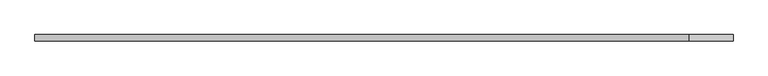
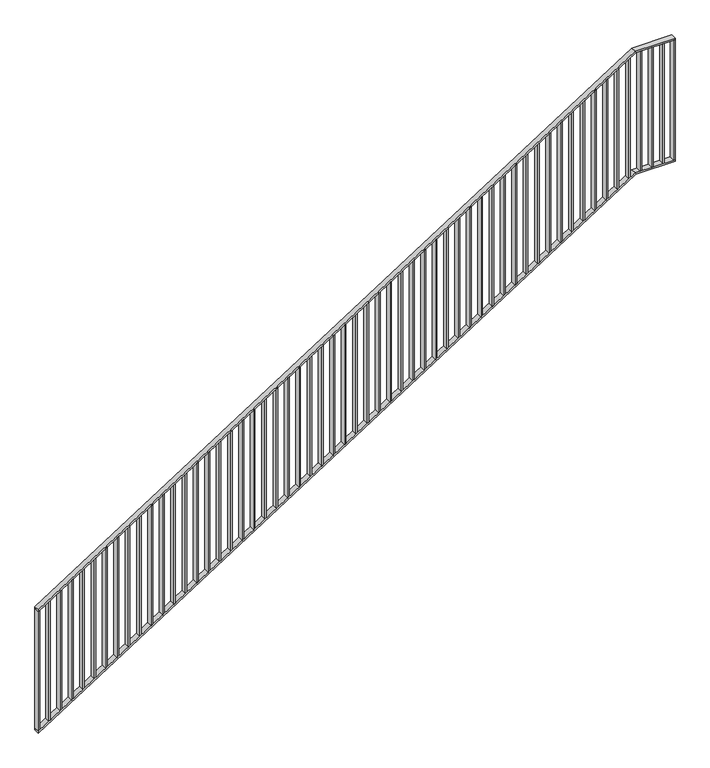
"""IFC4 building model written with IfcOpenShell, lengths in millimetres: railing geometry."""

from ifc_helpers import new_model, si_unit, frame, origin, place, context, project, spatial, polyline, outline, extrude, faceted_brep, source, transform, mapped, element, save


def railing_a182ddf0(model_context):
    return source(origin(), model_context, "Body", "SolidModel", [
        faceted_brep([(70020.0, -14.6, 1178.125), (70020.0, 25.4, 1178.125), (70020.0, 25.4, 1166.2576574), (70020.0, -14.6, 1166.2576574), (74201.25, -14.6, 3850.0), (74201.25, 25.4, 3850.0), (74204.1722273, 25.4, 3840.0), (74204.1722273, -14.6, 3840.0), (74480.0, -14.6, 3850.0), (74480.0, -14.6, 3840.0), (74480.0, 25.4, 3840.0), (74480.0, 25.4, 3850.0)], [[[0, 1, 2, 3]], [[1, 0, 4, 5]], [[2, 1, 5, 6]], [[3, 2, 6, 7]], [[0, 3, 7, 4]], [[8, 9, 10, 11]], [[5, 4, 8, 11]], [[6, 5, 11, 10]], [[7, 6, 10, 9]], [[4, 7, 9, 8]]]),
        faceted_brep([(70020.0, -14.6, 278.125), (70020.0, 25.4, 278.125), (70020.0, 25.4, 266.2576574), (70020.0, -14.6, 266.2576574), (74201.25, -14.6, 2950.0), (74201.25, 25.4, 2950.0), (74204.1722273, 25.4, 2940.0), (74204.1722273, -14.6, 2940.0), (74480.0, -14.6, 2950.0), (74480.0, -14.6, 2940.0), (74480.0, 25.4, 2940.0), (74480.0, 25.4, 2950.0)], [[[0, 1, 2, 3]], [[1, 0, 4, 5]], [[2, 1, 5, 6]], [[3, 2, 6, 7]], [[0, 3, 7, 4]], [[8, 9, 10, 11]], [[5, 4, 8, 11]], [[6, 5, 11, 10]], [[7, 6, 10, 9]], [[4, 7, 9, 8]]]),
        extrude(outline(polyline([(74395.3571429, -14.6), (74395.3571429, 25.4), (74405.3571429, 25.4), (74405.3571429, -14.6), (74395.3571429, -14.6)])), frame((0.0, 0.0, 2950.0), z_axis=(0.0, 0.0, 1.0), x_axis=(1.0, 0.0, 0.0)), (0.0, 0.0, 1.0), 890.0),
        extrude(outline(polyline([(74315.7142857, -14.6), (74315.7142857, 25.4), (74325.7142857, 25.4), (74325.7142857, -14.6), (74315.7142857, -14.6)])), frame((0.0, 0.0, 2950.0), z_axis=(0.0, 0.0, 1.0), x_axis=(1.0, 0.0, 0.0)), (0.0, 0.0, 1.0), 890.0),
        extrude(outline(polyline([(74236.0714286, -14.6), (74236.0714286, 25.4), (74246.0714286, 25.4), (74246.0714286, -14.6), (74236.0714286, -14.6)])), frame((0.0, 0.0, 2950.0), z_axis=(0.0, 0.0, 1.0), x_axis=(1.0, 0.0, 0.0)), (0.0, 0.0, 1.0), 890.0),
        extrude(outline(polyline([(3811.3585042, 74156.4285714), (2921.3585042, 74156.4285714), (2927.7486387, 74166.4285714), (3817.7486387, 74166.4285714), (3811.3585042, 74156.4285714)])), frame((0.0, -14.6, 0.0), z_axis=(0.0, 1.0, 0.0), x_axis=(0.0, 0.0, 1.0)), (0.0, 0.0, 1.0), 40.0),
        extrude(outline(polyline([(3760.465647, 74076.7857143), (2870.465647, 74076.7857143), (2876.8557816, 74086.7857143), (3766.8557816, 74086.7857143), (3760.465647, 74076.7857143)])), frame((0.0, -14.6, 0.0), z_axis=(0.0, 1.0, 0.0), x_axis=(0.0, 0.0, 1.0)), (0.0, 0.0, 1.0), 40.0),
        extrude(outline(polyline([(3709.5727899, 73997.1428571), (2819.5727899, 73997.1428571), (2825.9629244, 74007.1428571), (3715.9629244, 74007.1428571), (3709.5727899, 73997.1428571)])), frame((0.0, -14.6, 0.0), z_axis=(0.0, 1.0, 0.0), x_axis=(0.0, 0.0, 1.0)), (0.0, 0.0, 1.0), 40.0),
        extrude(outline(polyline([(3658.6799327, 73917.5), (2768.6799327, 73917.5), (2775.0700673, 73927.5), (3665.0700673, 73927.5), (3658.6799327, 73917.5)])), frame((0.0, -14.6, 0.0), z_axis=(0.0, 1.0, 0.0), x_axis=(0.0, 0.0, 1.0)), (0.0, 0.0, 1.0), 40.0),
        extrude(outline(polyline([(3607.7870756, 73837.8571429), (2717.7870756, 73837.8571429), (2724.1772101, 73847.8571429), (3614.1772101, 73847.8571429), (3607.7870756, 73837.8571429)])), frame((0.0, -14.6, 0.0), z_axis=(0.0, 1.0, 0.0), x_axis=(0.0, 0.0, 1.0)), (0.0, 0.0, 1.0), 40.0),
        extrude(outline(polyline([(3556.8942184, 73758.2142857), (2666.8942184, 73758.2142857), (2673.284353, 73768.2142857), (3563.284353, 73768.2142857), (3556.8942184, 73758.2142857)])), frame((0.0, -14.6, 0.0), z_axis=(0.0, 1.0, 0.0), x_axis=(0.0, 0.0, 1.0)), (0.0, 0.0, 1.0), 40.0),
        extrude(outline(polyline([(3506.0013613, 73678.5714286), (2616.0013613, 73678.5714286), (2622.3914958, 73688.5714286), (3512.3914958, 73688.5714286), (3506.0013613, 73678.5714286)])), frame((0.0, -14.6, 0.0), z_axis=(0.0, 1.0, 0.0), x_axis=(0.0, 0.0, 1.0)), (0.0, 0.0, 1.0), 40.0),
        extrude(outline(polyline([(3455.1085042, 73598.9285714), (2565.1085042, 73598.9285714), (2571.4986387, 73608.9285714), (3461.4986387, 73608.9285714), (3455.1085042, 73598.9285714)])), frame((0.0, -14.6, 0.0), z_axis=(0.0, 1.0, 0.0), x_axis=(0.0, 0.0, 1.0)), (0.0, 0.0, 1.0), 40.0),
        extrude(outline(polyline([(3404.215647, 73519.2857143), (2514.215647, 73519.2857143), (2520.6057816, 73529.2857143), (3410.6057816, 73529.2857143), (3404.215647, 73519.2857143)])), frame((0.0, -14.6, 0.0), z_axis=(0.0, 1.0, 0.0), x_axis=(0.0, 0.0, 1.0)), (0.0, 0.0, 1.0), 40.0),
        extrude(outline(polyline([(3353.3227899, 73439.6428571), (2463.3227899, 73439.6428571), (2469.7129244, 73449.6428571), (3359.7129244, 73449.6428571), (3353.3227899, 73439.6428571)])), frame((0.0, -14.6, 0.0), z_axis=(0.0, 1.0, 0.0), x_axis=(0.0, 0.0, 1.0)), (0.0, 0.0, 1.0), 40.0),
        extrude(outline(polyline([(3302.4299327, 73360.0), (2412.4299327, 73360.0), (2418.8200673, 73370.0), (3308.8200673, 73370.0), (3302.4299327, 73360.0)])), frame((0.0, -14.6, 0.0), z_axis=(0.0, 1.0, 0.0), x_axis=(0.0, 0.0, 1.0)), (0.0, 0.0, 1.0), 40.0),
        extrude(outline(polyline([(3251.5370756, 73280.3571429), (2361.5370756, 73280.3571429), (2367.9272101, 73290.3571429), (3257.9272101, 73290.3571429), (3251.5370756, 73280.3571429)])), frame((0.0, -14.6, 0.0), z_axis=(0.0, 1.0, 0.0), x_axis=(0.0, 0.0, 1.0)), (0.0, 0.0, 1.0), 40.0),
        extrude(outline(polyline([(3200.6442184, 73200.7142857), (2310.6442184, 73200.7142857), (2317.034353, 73210.7142857), (3207.034353, 73210.7142857), (3200.6442184, 73200.7142857)])), frame((0.0, -14.6, 0.0), z_axis=(0.0, 1.0, 0.0), x_axis=(0.0, 0.0, 1.0)), (0.0, 0.0, 1.0), 40.0),
        extrude(outline(polyline([(3149.7513613, 73121.0714286), (2259.7513613, 73121.0714286), (2266.1414958, 73131.0714286), (3156.1414958, 73131.0714286), (3149.7513613, 73121.0714286)])), frame((0.0, -14.6, 0.0), z_axis=(0.0, 1.0, 0.0), x_axis=(0.0, 0.0, 1.0)), (0.0, 0.0, 1.0), 40.0),
        extrude(outline(polyline([(3098.8585042, 73041.4285714), (2208.8585042, 73041.4285714), (2215.2486387, 73051.4285714), (3105.2486387, 73051.4285714), (3098.8585042, 73041.4285714)])), frame((0.0, -14.6, 0.0), z_axis=(0.0, 1.0, 0.0), x_axis=(0.0, 0.0, 1.0)), (0.0, 0.0, 1.0), 40.0),
        extrude(outline(polyline([(3047.965647, 72961.7857143), (2157.965647, 72961.7857143), (2164.3557816, 72971.7857143), (3054.3557816, 72971.7857143), (3047.965647, 72961.7857143)])), frame((0.0, -14.6, 0.0), z_axis=(0.0, 1.0, 0.0), x_axis=(0.0, 0.0, 1.0)), (0.0, 0.0, 1.0), 40.0),
        extrude(outline(polyline([(2997.0727899, 72882.1428571), (2107.0727899, 72882.1428571), (2113.4629244, 72892.1428571), (3003.4629244, 72892.1428571), (2997.0727899, 72882.1428571)])), frame((0.0, -14.6, 0.0), z_axis=(0.0, 1.0, 0.0), x_axis=(0.0, 0.0, 1.0)), (0.0, 0.0, 1.0), 40.0),
        extrude(outline(polyline([(2946.1799327, 72802.5), (2056.1799327, 72802.5), (2062.5700673, 72812.5), (2952.5700673, 72812.5), (2946.1799327, 72802.5)])), frame((0.0, -14.6, 0.0), z_axis=(0.0, 1.0, 0.0), x_axis=(0.0, 0.0, 1.0)), (0.0, 0.0, 1.0), 40.0),
        extrude(outline(polyline([(2895.2870756, 72722.8571429), (2005.2870756, 72722.8571429), (2011.6772101, 72732.8571429), (2901.6772101, 72732.8571429), (2895.2870756, 72722.8571429)])), frame((0.0, -14.6, 0.0), z_axis=(0.0, 1.0, 0.0), x_axis=(0.0, 0.0, 1.0)), (0.0, 0.0, 1.0), 40.0),
        extrude(outline(polyline([(2844.3942184, 72643.2142857), (1954.3942184, 72643.2142857), (1960.784353, 72653.2142857), (2850.784353, 72653.2142857), (2844.3942184, 72643.2142857)])), frame((0.0, -14.6, 0.0), z_axis=(0.0, 1.0, 0.0), x_axis=(0.0, 0.0, 1.0)), (0.0, 0.0, 1.0), 40.0),
        extrude(outline(polyline([(2793.5013613, 72563.5714286), (1903.5013613, 72563.5714286), (1909.8914958, 72573.5714286), (2799.8914958, 72573.5714286), (2793.5013613, 72563.5714286)])), frame((0.0, -14.6, 0.0), z_axis=(0.0, 1.0, 0.0), x_axis=(0.0, 0.0, 1.0)), (0.0, 0.0, 1.0), 40.0),
        extrude(outline(polyline([(2742.6085042, 72483.9285714), (1852.6085042, 72483.9285714), (1858.9986387, 72493.9285714), (2748.9986387, 72493.9285714), (2742.6085042, 72483.9285714)])), frame((0.0, -14.6, 0.0), z_axis=(0.0, 1.0, 0.0), x_axis=(0.0, 0.0, 1.0)), (0.0, 0.0, 1.0), 40.0),
        extrude(outline(polyline([(2691.715647, 72404.2857143), (1801.715647, 72404.2857143), (1808.1057816, 72414.2857143), (2698.1057816, 72414.2857143), (2691.715647, 72404.2857143)])), frame((0.0, -14.6, 0.0), z_axis=(0.0, 1.0, 0.0), x_axis=(0.0, 0.0, 1.0)), (0.0, 0.0, 1.0), 40.0),
        extrude(outline(polyline([(2640.8227899, 72324.6428571), (1750.8227899, 72324.6428571), (1757.2129244, 72334.6428571), (2647.2129244, 72334.6428571), (2640.8227899, 72324.6428571)])), frame((0.0, -14.6, 0.0), z_axis=(0.0, 1.0, 0.0), x_axis=(0.0, 0.0, 1.0)), (0.0, 0.0, 1.0), 40.0),
        extrude(outline(polyline([(2589.9299327, 72245.0), (1699.9299327, 72245.0), (1706.3200673, 72255.0), (2596.3200673, 72255.0), (2589.9299327, 72245.0)])), frame((0.0, -14.6, 0.0), z_axis=(0.0, 1.0, 0.0), x_axis=(0.0, 0.0, 1.0)), (0.0, 0.0, 1.0), 40.0),
        extrude(outline(polyline([(2539.0370756, 72165.3571429), (1649.0370756, 72165.3571429), (1655.4272101, 72175.3571429), (2545.4272101, 72175.3571429), (2539.0370756, 72165.3571429)])), frame((0.0, -14.6, 0.0), z_axis=(0.0, 1.0, 0.0), x_axis=(0.0, 0.0, 1.0)), (0.0, 0.0, 1.0), 40.0),
        extrude(outline(polyline([(2488.1442184, 72085.7142857), (1598.1442184, 72085.7142857), (1604.534353, 72095.7142857), (2494.534353, 72095.7142857), (2488.1442184, 72085.7142857)])), frame((0.0, -14.6, 0.0), z_axis=(0.0, 1.0, 0.0), x_axis=(0.0, 0.0, 1.0)), (0.0, 0.0, 1.0), 40.0),
        extrude(outline(polyline([(2437.2513613, 72006.0714286), (1547.2513613, 72006.0714286), (1553.6414958, 72016.0714286), (2443.6414958, 72016.0714286), (2437.2513613, 72006.0714286)])), frame((0.0, -14.6, 0.0), z_axis=(0.0, 1.0, 0.0), x_axis=(0.0, 0.0, 1.0)), (0.0, 0.0, 1.0), 40.0),
        extrude(outline(polyline([(2386.3585042, 71926.4285714), (1496.3585042, 71926.4285714), (1502.7486387, 71936.4285714), (2392.7486387, 71936.4285714), (2386.3585042, 71926.4285714)])), frame((0.0, -14.6, 0.0), z_axis=(0.0, 1.0, 0.0), x_axis=(0.0, 0.0, 1.0)), (0.0, 0.0, 1.0), 40.0),
        extrude(outline(polyline([(2335.465647, 71846.7857143), (1445.465647, 71846.7857143), (1451.8557816, 71856.7857143), (2341.8557816, 71856.7857143), (2335.465647, 71846.7857143)])), frame((0.0, -14.6, 0.0), z_axis=(0.0, 1.0, 0.0), x_axis=(0.0, 0.0, 1.0)), (0.0, 0.0, 1.0), 40.0),
        extrude(outline(polyline([(2284.5727899, 71767.1428571), (1394.5727899, 71767.1428571), (1400.9629244, 71777.1428571), (2290.9629244, 71777.1428571), (2284.5727899, 71767.1428571)])), frame((0.0, -14.6, 0.0), z_axis=(0.0, 1.0, 0.0), x_axis=(0.0, 0.0, 1.0)), (0.0, 0.0, 1.0), 40.0),
        extrude(outline(polyline([(2233.6799327, 71687.5), (1343.6799327, 71687.5), (1350.0700673, 71697.5), (2240.0700673, 71697.5), (2233.6799327, 71687.5)])), frame((0.0, -14.6, 0.0), z_axis=(0.0, 1.0, 0.0), x_axis=(0.0, 0.0, 1.0)), (0.0, 0.0, 1.0), 40.0),
        extrude(outline(polyline([(2182.7870756, 71607.8571429), (1292.7870756, 71607.8571429), (1299.1772101, 71617.8571429), (2189.1772101, 71617.8571429), (2182.7870756, 71607.8571429)])), frame((0.0, -14.6, 0.0), z_axis=(0.0, 1.0, 0.0), x_axis=(0.0, 0.0, 1.0)), (0.0, 0.0, 1.0), 40.0),
        extrude(outline(polyline([(2131.8942184, 71528.2142857), (1241.8942184, 71528.2142857), (1248.284353, 71538.2142857), (2138.284353, 71538.2142857), (2131.8942184, 71528.2142857)])), frame((0.0, -14.6, 0.0), z_axis=(0.0, 1.0, 0.0), x_axis=(0.0, 0.0, 1.0)), (0.0, 0.0, 1.0), 40.0),
        extrude(outline(polyline([(2081.0013613, 71448.5714286), (1191.0013613, 71448.5714286), (1197.3914958, 71458.5714286), (2087.3914958, 71458.5714286), (2081.0013613, 71448.5714286)])), frame((0.0, -14.6, 0.0), z_axis=(0.0, 1.0, 0.0), x_axis=(0.0, 0.0, 1.0)), (0.0, 0.0, 1.0), 40.0),
        extrude(outline(polyline([(2030.1085042, 71368.9285714), (1140.1085042, 71368.9285714), (1146.4986387, 71378.9285714), (2036.4986387, 71378.9285714), (2030.1085042, 71368.9285714)])), frame((0.0, -14.6, 0.0), z_axis=(0.0, 1.0, 0.0), x_axis=(0.0, 0.0, 1.0)), (0.0, 0.0, 1.0), 40.0),
        extrude(outline(polyline([(1979.215647, 71289.2857143), (1089.215647, 71289.2857143), (1095.6057816, 71299.2857143), (1985.6057816, 71299.2857143), (1979.215647, 71289.2857143)])), frame((0.0, -14.6, 0.0), z_axis=(0.0, 1.0, 0.0), x_axis=(0.0, 0.0, 1.0)), (0.0, 0.0, 1.0), 40.0),
        extrude(outline(polyline([(1928.3227899, 71209.6428571), (1038.3227899, 71209.6428571), (1044.7129244, 71219.6428571), (1934.7129244, 71219.6428571), (1928.3227899, 71209.6428571)])), frame((0.0, -14.6, 0.0), z_axis=(0.0, 1.0, 0.0), x_axis=(0.0, 0.0, 1.0)), (0.0, 0.0, 1.0), 40.0),
        extrude(outline(polyline([(1877.4299327, 71130.0), (987.4299327, 71130.0), (993.8200673, 71140.0), (1883.8200673, 71140.0), (1877.4299327, 71130.0)])), frame((0.0, -14.6, 0.0), z_axis=(0.0, 1.0, 0.0), x_axis=(0.0, 0.0, 1.0)), (0.0, 0.0, 1.0), 40.0),
        extrude(outline(polyline([(1826.5370756, 71050.3571429), (936.5370756, 71050.3571429), (942.9272101, 71060.3571429), (1832.9272101, 71060.3571429), (1826.5370756, 71050.3571429)])), frame((0.0, -14.6, 0.0), z_axis=(0.0, 1.0, 0.0), x_axis=(0.0, 0.0, 1.0)), (0.0, 0.0, 1.0), 40.0),
        extrude(outline(polyline([(1775.6442184, 70970.7142857), (885.6442184, 70970.7142857), (892.034353, 70980.7142857), (1782.034353, 70980.7142857), (1775.6442184, 70970.7142857)])), frame((0.0, -14.6, 0.0), z_axis=(0.0, 1.0, 0.0), x_axis=(0.0, 0.0, 1.0)), (0.0, 0.0, 1.0), 40.0),
        extrude(outline(polyline([(1724.7513613, 70891.0714286), (834.7513613, 70891.0714286), (841.1414958, 70901.0714286), (1731.1414958, 70901.0714286), (1724.7513613, 70891.0714286)])), frame((0.0, -14.6, 0.0), z_axis=(0.0, 1.0, 0.0), x_axis=(0.0, 0.0, 1.0)), (0.0, 0.0, 1.0), 40.0),
        extrude(outline(polyline([(1673.8585042, 70811.4285714), (783.8585042, 70811.4285714), (790.2486387, 70821.4285714), (1680.2486387, 70821.4285714), (1673.8585042, 70811.4285714)])), frame((0.0, -14.6, 0.0), z_axis=(0.0, 1.0, 0.0), x_axis=(0.0, 0.0, 1.0)), (0.0, 0.0, 1.0), 40.0),
        extrude(outline(polyline([(1622.965647, 70731.7857143), (732.965647, 70731.7857143), (739.3557816, 70741.7857143), (1629.3557816, 70741.7857143), (1622.965647, 70731.7857143)])), frame((0.0, -14.6, 0.0), z_axis=(0.0, 1.0, 0.0), x_axis=(0.0, 0.0, 1.0)), (0.0, 0.0, 1.0), 40.0),
        extrude(outline(polyline([(1572.0727899, 70652.1428571), (682.0727899, 70652.1428571), (688.4629244, 70662.1428571), (1578.4629244, 70662.1428571), (1572.0727899, 70652.1428571)])), frame((0.0, -14.6, 0.0), z_axis=(0.0, 1.0, 0.0), x_axis=(0.0, 0.0, 1.0)), (0.0, 0.0, 1.0), 40.0),
        extrude(outline(polyline([(1521.1799327, 70572.5), (631.1799327, 70572.5), (637.5700673, 70582.5), (1527.5700673, 70582.5), (1521.1799327, 70572.5)])), frame((0.0, -14.6, 0.0), z_axis=(0.0, 1.0, 0.0), x_axis=(0.0, 0.0, 1.0)), (0.0, 0.0, 1.0), 40.0),
        extrude(outline(polyline([(1470.2870756, 70492.8571429), (580.2870756, 70492.8571429), (586.6772101, 70502.8571429), (1476.6772101, 70502.8571429), (1470.2870756, 70492.8571429)])), frame((0.0, -14.6, 0.0), z_axis=(0.0, 1.0, 0.0), x_axis=(0.0, 0.0, 1.0)), (0.0, 0.0, 1.0), 40.0),
        extrude(outline(polyline([(1419.3942184, 70413.2142857), (529.3942184, 70413.2142857), (535.784353, 70423.2142857), (1425.784353, 70423.2142857), (1419.3942184, 70413.2142857)])), frame((0.0, -14.6, 0.0), z_axis=(0.0, 1.0, 0.0), x_axis=(0.0, 0.0, 1.0)), (0.0, 0.0, 1.0), 40.0),
        extrude(outline(polyline([(1368.5013613, 70333.5714286), (478.5013613, 70333.5714286), (484.8914958, 70343.5714286), (1374.8914958, 70343.5714286), (1368.5013613, 70333.5714286)])), frame((0.0, -14.6, 0.0), z_axis=(0.0, 1.0, 0.0), x_axis=(0.0, 0.0, 1.0)), (0.0, 0.0, 1.0), 40.0),
        extrude(outline(polyline([(1317.6085042, 70253.9285714), (427.6085042, 70253.9285714), (433.9986387, 70263.9285714), (1323.9986387, 70263.9285714), (1317.6085042, 70253.9285714)])), frame((0.0, -14.6, 0.0), z_axis=(0.0, 1.0, 0.0), x_axis=(0.0, 0.0, 1.0)), (0.0, 0.0, 1.0), 40.0),
        extrude(outline(polyline([(1266.715647, 70174.2857143), (376.715647, 70174.2857143), (383.1057816, 70184.2857143), (1273.1057816, 70184.2857143), (1266.715647, 70174.2857143)])), frame((0.0, -14.6, 0.0), z_axis=(0.0, 1.0, 0.0), x_axis=(0.0, 0.0, 1.0)), (0.0, 0.0, 1.0), 40.0),
        extrude(outline(polyline([(1215.8227899, 70094.6428571), (325.8227899, 70094.6428571), (332.2129244, 70104.6428571), (1222.2129244, 70104.6428571), (1215.8227899, 70094.6428571)])), frame((0.0, -14.6, 0.0), z_axis=(0.0, 1.0, 0.0), x_axis=(0.0, 0.0, 1.0)), (0.0, 0.0, 1.0), 40.0),
        extrude(outline(polyline([(74470.0, -14.6), (74470.0, 25.4), (74480.0, 25.4), (74480.0, -14.6), (74470.0, -14.6)])), frame((0.0, 0.0, 2950.0), z_axis=(0.0, 0.0, 1.0), x_axis=(1.0, 0.0, 0.0)), (0.0, 0.0, 1.0), 890.0),
        extrude(outline(polyline([(1168.125, 70020.0), (278.125, 70020.0), (284.5151345, 70030.0), (1174.5151345, 70030.0), (1168.125, 70020.0)])), frame((0.0, -14.6, 0.0), z_axis=(0.0, 1.0, 0.0), x_axis=(0.0, 0.0, 1.0)), (0.0, 0.0, 1.0), 40.0),
    ])


if __name__ == "__main__":
    model = new_model("IFC4")
    model_context = context("Model", 3, world=origin())
    ifc_project = project(units=[si_unit("LENGTHUNIT", "METRE", prefix="MILLI")], contexts=[model_context])
    site = spatial("IfcSite", under=ifc_project)
    building = spatial("IfcBuilding", under=site)
    placement = place(None, origin())
    railing_shape = railing_a182ddf0(model_context)
    element("IfcRailing", 1, at=placement, inside=building, context=model_context, shape_type="MappedRepresentation", body=[
        mapped(railing_shape, transform((0.0, 0.0, 0.0), x_axis=(1.0, 0.0, 0.0), y_axis=(0.0, 1.0, 0.0), z_axis=(0.0, 0.0, 1.0))),
    ])
    save(model, "model.ifc")
